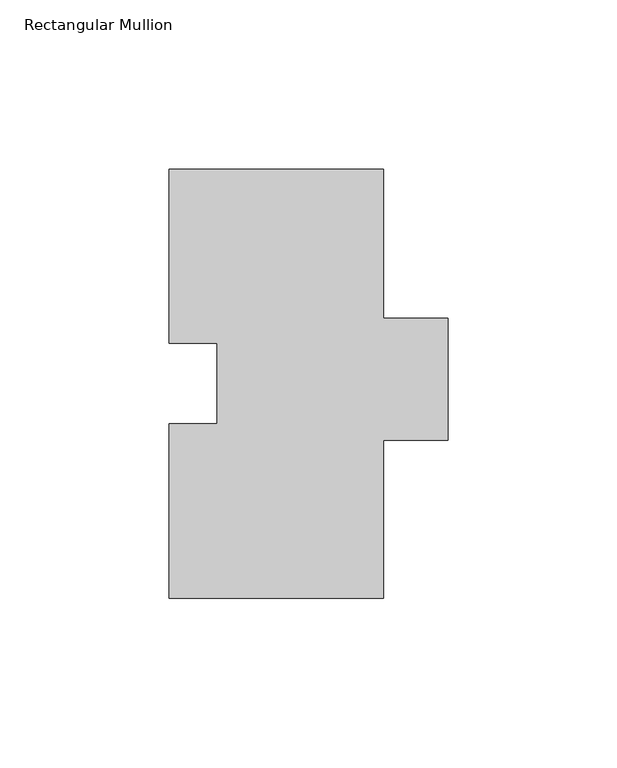
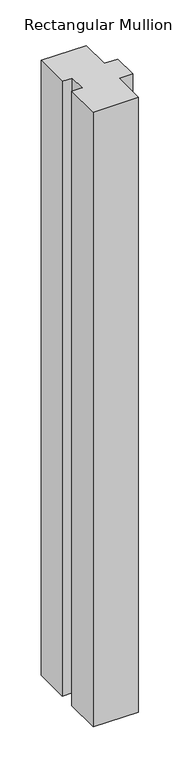
"""IFC4 building model written with IfcOpenShell, lengths in millimetres: member geometry, Rectangular Mullion."""

from ifc_helpers import new_model, si_unit, frame, origin, place, context, project, spatial, polyline, outline, extrude, source, transform, mapped, element, save


def rectangular_mullion_37dd88dc(model_context):
    return source(origin(), model_context, "Body", "SweptSolid", [
        extrude(outline(polyline([(-17.4622287, 75.3999), (-31.7502713, 75.3999), (-31.7502713, 127.0), (31.7502713, 127.0), (31.7502713, 82.9250181), (50.8002713, 82.9250181), (50.8002713, 46.83125), (31.7497287, 46.83125), (31.7497287, 0.0), (-31.7497287, 0.0), (-31.7497287, 51.6001), (-17.4622287, 51.6001), (-17.4622287, 75.3999)])), frame((0.0, 0.0, -914.4), z_axis=(0.0, 0.0, 1.0), x_axis=(1.0, 0.0, 0.0)), (0.0, 0.0, 1.0), 914.4),
    ])


if __name__ == "__main__":
    model = new_model("IFC4")
    model_context = context("Model", 3, world=origin())
    ifc_project = project(units=[si_unit("LENGTHUNIT", "METRE", prefix="MILLI")], contexts=[model_context])
    site = spatial("IfcSite", under=ifc_project)
    building = spatial("IfcBuilding", under=site)
    placement = place(None, origin())
    rectangular_mullion_shape = rectangular_mullion_37dd88dc(model_context)
    element("IfcMember", 1, ObjectType="Rectangular Mullion", at=placement, inside=building, context=model_context, shape_type="MappedRepresentation", body=[
        mapped(rectangular_mullion_shape, transform((0.0, 0.0, 0.0), x_axis=(1.0, 0.0, 0.0), y_axis=(0.0, 1.0, 0.0), z_axis=(0.0, 0.0, 1.0))),
    ])
    save(model, "model.ifc")
